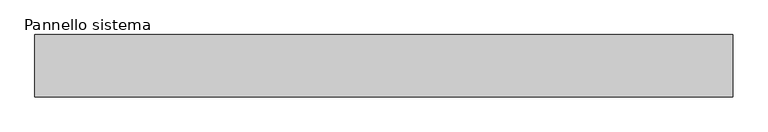
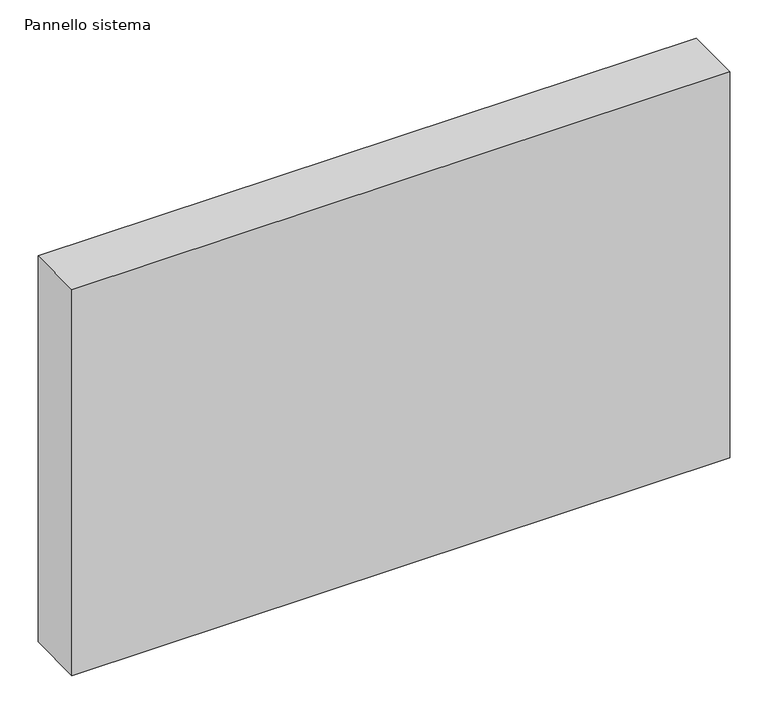
"""IFC4 building model written with IfcOpenShell, lengths in millimetres: plate geometry, Pannello sistema."""

import ifcopenshell
import ifcopenshell.guid

model = None  # the IFC model being written
_history = None  # IfcOwnerHistory: only IFC2X3 demands one
_inside = {}  # id of a spatial element -> (the spatial element, [elements in it])
_under = {}  # id of a project, library or spatial element -> (it, [spatial elements below it])
_declared = {}  # id of a project -> (the project, [libraries it declares])
_typed = {}  # id of a type object -> (the type object, [elements of that type])
_made_of = {}  # id of a material, layer set ... -> (it, [elements and type objects made of it])


def new_model(schema):
    """Start an empty IFC model of exactly this schema.

    Asked for "IFC4X3", IfcOpenShell would pick the latest addendum, in which some entities
    have other attributes; the version numbers below select the first issue.
    IFC2X3 requires an IfcOwnerHistory on every rooted entity: one is made here for all.
    """
    global model, _history
    if schema == "IFC4X3":
        model = ifcopenshell.file(schema_version=(4, 3, 0, 0))
    else:
        model = ifcopenshell.file(schema=schema)
    _inside.clear()
    _under.clear()
    _declared.clear()
    _typed.clear()
    _made_of.clear()
    _history = None
    if model.schema == "IFC2X3":
        org = make("IfcOrganization", Name="unknown")
        user = make(
            "IfcPersonAndOrganization",
            ThePerson=make("IfcPerson", FamilyName="unknown"),
            TheOrganization=org,
        )
        app = make(
            "IfcApplication",
            ApplicationDeveloper=org,
            Version="unknown",
            ApplicationFullName="unknown",
            ApplicationIdentifier="unknown",
        )
        _history = make(
            "IfcOwnerHistory",
            OwningUser=user,
            OwningApplication=app,
            ChangeAction="ADDED",
            CreationDate=0,
        )
    return model


def make(cls, **values):
    """One entity of the class cls with the attributes given. An attribute that is None is left unset."""
    return model.create_entity(
        cls, **{name: value for name, value in values.items() if value is not None}
    )


def rooted(cls, **values):
    """An entity with a GlobalId (a new one), such as an element, a storey or a relation."""
    return make(cls, GlobalId=ifcopenshell.guid.new(), OwnerHistory=_history, **values)


def si_unit(unit_type, name, prefix=None):
    """IfcSIUnit, for example si_unit("LENGTHUNIT", "METRE", prefix="MILLI")."""
    return make("IfcSIUnit", UnitType=unit_type, Prefix=prefix, Name=name)


def assignment(units):
    """IfcUnitAssignment: the units of a project."""
    return None if units is None else make("IfcUnitAssignment", Units=units)


def point(xyz):
    """IfcCartesianPoint."""
    return None if xyz is None else make("IfcCartesianPoint", Coordinates=xyz)


def direction(xyz):
    """IfcDirection."""
    return None if xyz is None else make("IfcDirection", DirectionRatios=xyz)


def frame(location, z_axis=None, x_axis=None):
    """IfcAxis2Placement3D, a coordinate frame: its origin and axes. An axis left out is left unset."""
    return make(
        "IfcAxis2Placement3D",
        Location=point(location),
        Axis=direction(z_axis),
        RefDirection=direction(x_axis),
    )


def origin():
    """The frame at (0, 0, 0) with its axes left unset."""
    return frame((0.0, 0.0, 0.0))


def origin_with_axes():
    """The frame at (0, 0, 0) with the z axis (0, 0, 1) and the x axis (1, 0, 0) written out."""
    return frame((0.0, 0.0, 0.0), z_axis=(0.0, 0.0, 1.0), x_axis=(1.0, 0.0, 0.0))


def place(relative_to, where):
    """IfcLocalPlacement: puts the frame where relative to a parent placement (None: the world)."""
    return make(
        "IfcLocalPlacement", PlacementRelTo=relative_to, RelativePlacement=where
    )


def context(
    kind, dimensions, precision=None, world=None, true_north=None, identifier=None
):
    """IfcGeometricRepresentationContext, for example the 3D "Model" context."""
    return make(
        "IfcGeometricRepresentationContext",
        ContextIdentifier=identifier,
        ContextType=kind,
        CoordinateSpaceDimension=dimensions,
        Precision=precision,
        WorldCoordinateSystem=world,
        TrueNorth=true_north,
    )


def project(units=None, contexts=None):
    """IfcProject with its units and contexts."""
    return rooted(
        "IfcProject",
        Name="project",
        RepresentationContexts=contexts,
        UnitsInContext=assignment(units),
    )


def spatial(cls, under=None, at=None, **own):
    """A site, building, storey or space (cls), placed at a placement, below another one or the project."""
    s = rooted(cls, ObjectPlacement=at, **own)
    if under is not None:
        _under.setdefault(under.id(), (under, []))[1].append(s)
    return s


def polyline(points):
    """IfcPolyline through the points."""
    return make("IfcPolyline", Points=[point(p) for p in points])


def outline(outer, holes=None, kind="AREA"):
    """IfcArbitraryClosedProfileDef: a profile drawn as a closed curve; with holes, ...WithVoids."""
    if holes is None:
        return make("IfcArbitraryClosedProfileDef", ProfileType=kind, OuterCurve=outer)
    return make(
        "IfcArbitraryProfileDefWithVoids",
        ProfileType=kind,
        OuterCurve=outer,
        InnerCurves=holes,
    )


def extrude(swept, where, along, depth):
    """IfcExtrudedAreaSolid: the profile swept, set in the frame where, extruded along a direction by depth."""
    return make(
        "IfcExtrudedAreaSolid",
        SweptArea=swept,
        Position=where,
        ExtrudedDirection=direction(along),
        Depth=depth,
    )


def shape(context_of_items, identifier, shape_type, items):
    """IfcShapeRepresentation: the items that make up one representation, for example the "Body"."""
    return make(
        "IfcShapeRepresentation",
        ContextOfItems=context_of_items,
        RepresentationIdentifier=identifier,
        RepresentationType=shape_type,
        Items=items,
    )


def source(mapping_origin, context_of_items, identifier, shape_type, items):
    """IfcRepresentationMap: a shape defined once, which mapped items show again and again."""
    return make(
        "IfcRepresentationMap",
        MappingOrigin=mapping_origin,
        MappedRepresentation=shape(context_of_items, identifier, shape_type, items),
    )


def transform(
    local_origin,
    x_axis=None,
    y_axis=None,
    z_axis=None,
    scale=None,
    scale2=None,
    scale3=None,
    uniform=True,
):
    """IfcCartesianTransformationOperator3D, or its non-uniform kind. x_axis, y_axis, z_axis: its Axis1, 2, 3."""
    if uniform:
        return make(
            "IfcCartesianTransformationOperator3D",
            Axis1=direction(x_axis),
            Axis2=direction(y_axis),
            LocalOrigin=point(local_origin),
            Scale=scale,
            Axis3=direction(z_axis),
        )
    return make(
        "IfcCartesianTransformationOperator3DnonUniform",
        Axis1=direction(x_axis),
        Axis2=direction(y_axis),
        LocalOrigin=point(local_origin),
        Scale=scale,
        Axis3=direction(z_axis),
        Scale2=scale2,
        Scale3=scale3,
    )


def mapped(mapping_source, mapping_target):
    """IfcMappedItem: shows the shape of a source again, moved by a transform."""
    return make(
        "IfcMappedItem", MappingSource=mapping_source, MappingTarget=mapping_target
    )


def made_of(thing, what):
    """Note that an element or type object is made of a material, layer set ...; save() writes the relation."""
    if what is not None:
        _made_of.setdefault(what.id(), (what, []))[1].append(thing)
    return thing


def element(
    cls,
    number,
    at=None,
    inside=None,
    cuts=None,
    type_object=None,
    material=None,
    context=None,
    identifier="Body",
    shape_type=None,
    held_by="IfcProductDefinitionShape",
    body=None,
    shapes=None,
    **own,
):
    """One element of the class cls, such as IfcWall. Its Tag is "e" and its number.

    at: its placement. inside: the storey or other place that contains it. cuts: it is an
    opening in that element (IfcRelVoidsElement). A single representation is given by context,
    identifier, shape_type and body (its items); several are given by shapes. held_by: the class
    of the entity that holds the representations. save() writes the other relations.
    """
    e = rooted(cls, Tag="e%d" % number, ObjectPlacement=at, **own)
    if body is not None:
        shapes = [shape(context, identifier, shape_type, body)]
    if shapes is not None:
        e.Representation = make(held_by, Representations=shapes)
    if inside is not None:
        _inside.setdefault(inside.id(), (inside, []))[1].append(e)
    if cuts is not None:
        rooted(
            "IfcRelVoidsElement", RelatingBuildingElement=cuts, RelatedOpeningElement=e
        )
    if type_object is not None:
        _typed.setdefault(type_object.id(), (type_object, []))[1].append(e)
    return made_of(e, material)


def aggregate(whole, parts):
    """IfcRelAggregates: a whole, such as a stair, and the parts it consists of."""
    return rooted("IfcRelAggregates", RelatingObject=whole, RelatedObjects=parts)


def save(model, path):
    """Write the relations noted so far, then the file.

    IfcRelAggregates (storeys below a building ...), IfcRelContainedInSpatialStructure (elements
    in a storey), IfcRelDefinesByType, IfcRelAssociatesMaterial and IfcRelDeclares: one each for
    every whole, place, type object, material and project.
    """
    for whole, parts in _under.values():
        aggregate(whole, parts)
    for where, things in _inside.values():
        rooted(
            "IfcRelContainedInSpatialStructure",
            RelatedElements=things,
            RelatingStructure=where,
        )
    for kind, things in _typed.values():
        rooted("IfcRelDefinesByType", RelatedObjects=things, RelatingType=kind)
    for what, things in _made_of.values():
        rooted("IfcRelAssociatesMaterial", RelatedObjects=things, RelatingMaterial=what)
    for by, libraries in _declared.values():
        rooted("IfcRelDeclares", RelatingContext=by, RelatedDefinitions=libraries)
    model.write(path)


def pannello_sistema_231f4f8d(model_context):
    return source(origin(), model_context, "Body", "SweptSolid", [
        extrude(outline(polyline([(500.0, -44.5), (-500.0, -44.5), (-500.0, 44.5), (500.0, 44.5), (500.0, -44.5)])), origin_with_axes(), (0.0, 0.0, 1.0), 620.0),
    ])


if __name__ == "__main__":
    model = new_model("IFC4")
    model_context = context("Model", 3, world=origin())
    ifc_project = project(units=[si_unit("LENGTHUNIT", "METRE", prefix="MILLI")], contexts=[model_context])
    site = spatial("IfcSite", under=ifc_project)
    building = spatial("IfcBuilding", under=site)
    placement = place(None, origin())
    pannello_sistema_shape = pannello_sistema_231f4f8d(model_context)
    element("IfcPlate", 1, ObjectType="Pannello sistema", at=placement, inside=building, context=model_context, shape_type="MappedRepresentation", body=[
        mapped(pannello_sistema_shape, transform((0.0, 0.0, 0.0), x_axis=(1.0, 0.0, 0.0), y_axis=(0.0, 1.0, 0.0), z_axis=(0.0, 0.0, 1.0))),
    ])
    save(model, "model.ifc")
